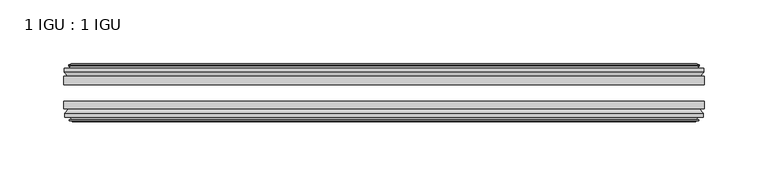
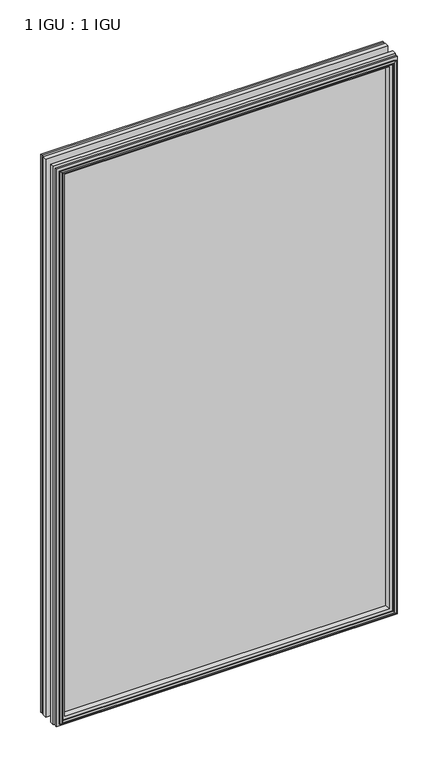
"""IFC4 building model written with IfcOpenShell, lengths in millimetres: plate geometry, 1 IGU : 1 IGU."""

from ifc_helpers import new_model, si_unit, frame, origin, place, context, project, spatial, polyline, outline, extrude, faceted_brep, source, transform, mapped, element, save


def plate_1_igu_1_igu_ab81eb8f(model_context):
    return source(origin(), model_context, "Body", "SolidModel", [
        extrude(outline(polyline([(250.2044134, -25.8960937), (250.2044134, -32.2460938), (-250.2044134, -32.2460938), (-250.2044134, -25.8960937), (250.2044134, -25.8960937)])), frame((0.0, 0.0, -12.7), z_axis=(0.0, 0.0, 1.0), x_axis=(1.0, 0.0, 0.0)), (0.0, 0.0, 1.0), 863.6),
        extrude(outline(polyline([(-250.2044134, -51.2960938), (-250.2044134, -45.2686737), (250.2044134, -45.2686737), (250.2044134, -51.2960938), (-250.2044134, -51.2960938)])), frame((0.0, 0.0, -12.7), z_axis=(0.0, 0.0, 1.0), x_axis=(1.0, 0.0, 0.0)), (0.0, 0.0, 1.0), 863.6),
        faceted_brep([(-244.6164134, -60.0262907, 845.312), (-244.9974134, -57.6460937, 845.693), (-244.9974134, -57.6460937, -7.493), (-244.6164134, -60.0262907, -7.112), (-246.0319424, -59.5663575, 846.727529), (-246.0319424, -59.5663575, -8.5275291), (-246.0319424, -60.3675717, 846.727529), (-246.0319424, -60.3675717, -8.5275291), (-243.8544134, -61.0750937, 844.55), (-243.8544134, -61.0750937, -6.35), (-241.6768843, -60.3675717, 842.3724709), (-241.6768843, -60.3675717, -4.1724709), (-241.6768843, -59.5663575, 842.3724709), (-241.6768843, -59.5663575, -4.1724709), (-243.0924134, -60.0262907, 843.788), (-243.0924134, -60.0262907, -5.588), (-242.7114134, -57.6460937, 843.407), (-242.7114134, -57.6460937, -5.207), (-235.7866953, -51.2960937, 836.4822819), (-237.5044134, -57.6460937, 838.2), (-237.5044134, -57.6460937, 0.0), (-235.7866953, -51.2960937, 1.7177181), (-249.4424134, -54.6996937, 850.138), (-246.6080712, -51.2960937, 847.3036578), (-246.6080712, -51.2960937, -9.1036578), (-249.4424134, -54.6996937, -11.938), (-249.4424134, -57.6460937, 850.138), (-249.4424134, -57.6460937, -11.938), (244.9974134, -57.6460938, -7.493), (244.6164134, -60.0262907, -7.112), (246.0319424, -59.5663575, -8.5275291), (246.0319424, -60.3675717, -8.5275291), (243.8544134, -61.0750937, -6.35), (241.6768843, -60.3675717, -4.1724709), (241.6768843, -59.5663575, -4.1724709), (243.0924134, -60.0262907, -5.588), (242.7114134, -57.6460937, -5.207), (237.5044134, -57.6460937, 0.0), (235.7866953, -51.2960937, 1.7177181), (246.6080712, -51.2960937, -9.1036578), (249.4424134, -54.6996937, -11.938), (249.4424134, -57.6460938, -11.938), (244.9974134, -57.6460938, 845.693), (244.6164134, -60.0262907, 845.312), (246.0319424, -59.5663575, 846.727529), (246.0319424, -60.3675717, 846.727529), (243.8544134, -61.0750937, 844.55), (241.6768843, -60.3675717, 842.3724709), (241.6768843, -59.5663575, 842.3724709), (243.0924134, -60.0262907, 843.788), (242.7114134, -57.6460937, 843.407), (237.5044134, -57.6460937, 838.2), (235.7866953, -51.2960937, 836.4822819), (246.6080712, -51.2960937, 847.3036578), (249.4424134, -54.6996937, 850.138), (249.4424134, -57.6460938, 850.138)], [[[0, 1, 2, 3]], [[4, 0, 3, 5]], [[6, 4, 5, 7]], [[8, 6, 7, 9]], [[10, 8, 9, 11]], [[12, 10, 11, 13]], [[14, 12, 13, 15]], [[16, 14, 15, 17]], [[18, 19, 20, 21]], [[22, 23, 24, 25]], [[26, 22, 25, 27]], [[3, 2, 28, 29]], [[5, 3, 29, 30]], [[7, 5, 30, 31]], [[9, 7, 31, 32]], [[11, 9, 32, 33]], [[13, 11, 33, 34]], [[15, 13, 34, 35]], [[17, 15, 35, 36]], [[21, 20, 37, 38]], [[25, 24, 39, 40]], [[27, 25, 40, 41]], [[29, 28, 42, 43]], [[30, 29, 43, 44]], [[31, 30, 44, 45]], [[32, 31, 45, 46]], [[33, 32, 46, 47]], [[34, 33, 47, 48]], [[35, 34, 48, 49]], [[36, 35, 49, 50]], [[38, 37, 51, 52]], [[40, 39, 53, 54]], [[41, 40, 54, 55]], [[27, 41, 55, 26], [1, 42, 28, 2]], [[43, 42, 1, 0]], [[44, 43, 0, 4]], [[45, 44, 4, 6]], [[46, 45, 6, 8]], [[47, 46, 8, 10]], [[48, 47, 10, 12]], [[49, 48, 12, 14]], [[50, 49, 14, 16]], [[17, 36, 50, 16], [19, 51, 37, 20]], [[52, 51, 19, 18]], [[23, 53, 39, 24], [21, 38, 52, 18]], [[54, 53, 23, 22]], [[55, 54, 22, 26]]]),
        faceted_brep([(-247.1287712, -25.8960937, 847.8243578), (-249.9631134, -22.4924937, 850.6587), (-249.9631134, -22.4924937, -12.4587), (-247.1287712, -25.8960937, -9.6243578), (-238.0251134, -19.5460937, 838.7207), (-236.3073953, -25.8960937, 837.0029819), (-236.3073953, -25.8960937, 1.1970181), (-238.0251134, -19.5460937, -0.5207), (-243.6131134, -17.1658968, 844.3087), (-243.2321134, -19.5460937, 843.9277), (-243.2321134, -19.5460937, -5.7277), (-243.6131134, -17.1658968, -6.1087), (-242.1975843, -17.62583, 842.8931709), (-242.1975843, -17.62583, -4.6931709), (-242.1975843, -16.8246158, 842.8931709), (-242.1975843, -16.8246158, -4.6931709), (-244.3751134, -16.1170937, 845.0707), (-244.3751134, -16.1170937, -6.8707), (-246.5526424, -16.8246158, 847.248229), (-246.5526424, -16.8246158, -9.0482291), (-246.5526424, -17.62583, 847.248229), (-246.5526424, -17.62583, -9.0482291), (-245.1371134, -17.1658968, 845.8327), (-245.1371134, -17.1658968, -7.6327), (-245.5181134, -19.5460937, 846.2137), (-245.5181134, -19.5460937, -8.0137), (-249.9631134, -19.5460937, 850.6587), (-249.9631134, -19.5460937, -12.4587), (249.9631134, -22.4924937, -12.4587), (247.1287712, -25.8960937, -9.6243578), (236.3073953, -25.8960937, 1.1970181), (238.0251134, -19.5460937, -0.5207), (243.2321134, -19.5460937, -5.7277), (243.6131134, -17.1658968, -6.1087), (242.1975843, -17.62583, -4.6931709), (242.1975843, -16.8246158, -4.6931709), (244.3751134, -16.1170937, -6.8707), (246.5526424, -16.8246158, -9.0482291), (246.5526424, -17.62583, -9.0482291), (245.1371134, -17.1658968, -7.6327), (245.5181134, -19.5460937, -8.0137), (249.9631134, -19.5460937, -12.4587), (249.9631134, -22.4924937, 850.6587), (247.1287712, -25.8960937, 847.8243578), (236.3073953, -25.8960937, 837.0029819), (238.0251134, -19.5460937, 838.7207), (243.2321134, -19.5460937, 843.9277), (243.6131134, -17.1658968, 844.3087), (242.1975843, -17.62583, 842.8931709), (242.1975843, -16.8246158, 842.8931709), (244.3751134, -16.1170937, 845.0707), (246.5526424, -16.8246158, 847.248229), (246.5526424, -17.62583, 847.248229), (245.1371134, -17.1658968, 845.8327), (245.5181134, -19.5460937, 846.2137), (249.9631134, -19.5460937, 850.6587)], [[[0, 1, 2, 3]], [[4, 5, 6, 7]], [[8, 9, 10, 11]], [[12, 8, 11, 13]], [[14, 12, 13, 15]], [[16, 14, 15, 17]], [[18, 16, 17, 19]], [[20, 18, 19, 21]], [[22, 20, 21, 23]], [[24, 22, 23, 25]], [[1, 26, 27, 2]], [[3, 2, 28, 29]], [[7, 6, 30, 31]], [[11, 10, 32, 33]], [[13, 11, 33, 34]], [[15, 13, 34, 35]], [[17, 15, 35, 36]], [[19, 17, 36, 37]], [[21, 19, 37, 38]], [[23, 21, 38, 39]], [[25, 23, 39, 40]], [[2, 27, 41, 28]], [[29, 28, 42, 43]], [[31, 30, 44, 45]], [[33, 32, 46, 47]], [[34, 33, 47, 48]], [[35, 34, 48, 49]], [[36, 35, 49, 50]], [[37, 36, 50, 51]], [[38, 37, 51, 52]], [[39, 38, 52, 53]], [[40, 39, 53, 54]], [[28, 41, 55, 42]], [[43, 42, 1, 0]], [[3, 29, 43, 0], [5, 44, 30, 6]], [[45, 44, 5, 4]], [[9, 46, 32, 10], [7, 31, 45, 4]], [[47, 46, 9, 8]], [[48, 47, 8, 12]], [[49, 48, 12, 14]], [[50, 49, 14, 16]], [[51, 50, 16, 18]], [[52, 51, 18, 20]], [[53, 52, 20, 22]], [[54, 53, 22, 24]], [[26, 55, 41, 27], [25, 40, 54, 24]], [[42, 55, 26, 1]]]),
    ])


if __name__ == "__main__":
    model = new_model("IFC4")
    model_context = context("Model", 3, world=origin())
    ifc_project = project(units=[si_unit("LENGTHUNIT", "METRE", prefix="MILLI")], contexts=[model_context])
    site = spatial("IfcSite", under=ifc_project)
    building = spatial("IfcBuilding", under=site)
    placement = place(None, origin())
    plate_1_igu_1_igu_shape = plate_1_igu_1_igu_ab81eb8f(model_context)
    element("IfcPlate", 1, ObjectType="1 IGU : 1 IGU", at=placement, inside=building, context=model_context, shape_type="MappedRepresentation", body=[
        mapped(plate_1_igu_1_igu_shape, transform((0.0, 0.0, 0.0), x_axis=(1.0, 0.0, 0.0), y_axis=(0.0, 1.0, 0.0), z_axis=(0.0, 0.0, 1.0))),
    ])
    save(model, "model.ifc")
